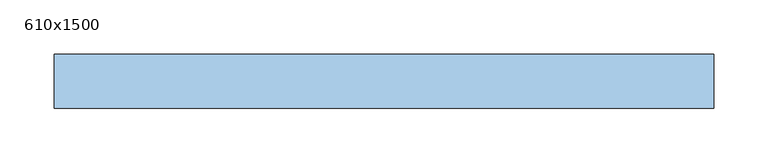
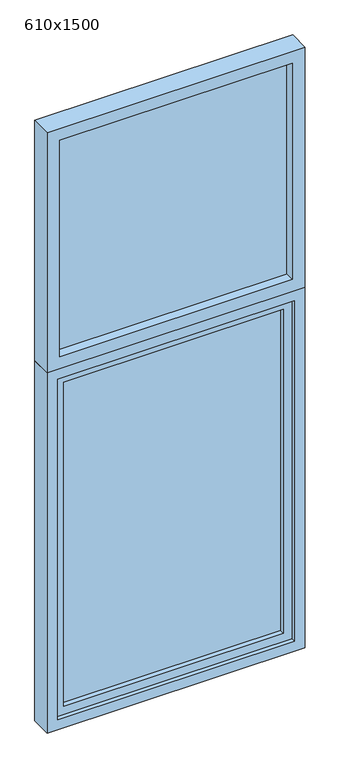
"""IFC4 building model written with IfcOpenShell, lengths in millimetres: window geometry, 610x1500."""

from ifc_helpers import new_model, si_unit, frame, origin, place, context, project, spatial, polyline, outline, extrude, source, transform, mapped, element, save


def window_610x1500_8f0f5fb4(model_context):
    return source(origin(), model_context, "Body", "SweptSolid", [
        extrude(outline(polyline([(1800.0, 325.0), (2400.0, 325.0), (2400.0, -285.0), (1800.0, -285.0), (1800.0, 325.0)]), holes=[polyline([(2370.0, 295.0), (1830.0, 295.0), (1830.0, -255.0), (2370.0, -255.0), (2370.0, 295.0)])]), frame((0.0, -25.0, 0.0), z_axis=(0.0, 1.0, 0.0), x_axis=(0.0, 0.0, 1.0)), (0.0, 0.0, 1.0), 50.0),
        extrude(outline(polyline([(925.0, 300.0), (1775.0, 300.0), (1775.0, -260.0), (925.0, -260.0), (925.0, 300.0)]), holes=[polyline([(1755.0, 280.0), (945.0, 280.0), (945.0, -240.0), (1755.0, -240.0), (1755.0, 280.0)])]), frame((0.0, -15.0, 0.0), z_axis=(0.0, 1.0, 0.0), x_axis=(0.0, 0.0, 1.0)), (0.0, 0.0, 1.0), 30.0),
        extrude(outline(polyline([(900.0, 325.0), (1800.0, 325.0), (1800.0, -285.0), (900.0, -285.0), (900.0, 325.0)]), holes=[polyline([(1775.0, 300.0), (925.0, 300.0), (925.0, -260.0), (1775.0, -260.0), (1775.0, 300.0)])]), frame((0.0, -25.0, 0.0), z_axis=(0.0, 1.0, 0.0), x_axis=(0.0, 0.0, 1.0)), (0.0, 0.0, 1.0), 50.0),
        extrude(outline(polyline([(280.0, 3.0), (280.0, -3.0), (-240.0, -3.0), (-240.0, 3.0), (280.0, 3.0)])), frame((0.0, 0.0, 945.0), z_axis=(0.0, 0.0, 1.0), x_axis=(1.0, 0.0, 0.0)), (0.0, 0.0, 1.0), 810.0),
        extrude(outline(polyline([(295.0, 3.0), (295.0, -3.0), (-255.0, -3.0), (-255.0, 3.0), (295.0, 3.0)])), frame((0.0, 0.0, 1830.0), z_axis=(0.0, 0.0, 1.0), x_axis=(1.0, 0.0, 0.0)), (0.0, 0.0, 1.0), 540.0),
    ])


if __name__ == "__main__":
    model = new_model("IFC4")
    model_context = context("Model", 3, world=origin())
    ifc_project = project(units=[si_unit("LENGTHUNIT", "METRE", prefix="MILLI")], contexts=[model_context])
    site = spatial("IfcSite", under=ifc_project)
    building = spatial("IfcBuilding", under=site)
    placement = place(None, origin())
    window_610x1500_shape = window_610x1500_8f0f5fb4(model_context)
    element("IfcWindow", 1, ObjectType="610x1500", at=placement, inside=building, context=model_context, shape_type="MappedRepresentation", body=[
        mapped(window_610x1500_shape, transform((0.0, 0.0, 0.0), x_axis=(1.0, 0.0, 0.0), y_axis=(0.0, 1.0, 0.0), z_axis=(0.0, 0.0, 1.0))),
    ])
    save(model, "model.ifc")
